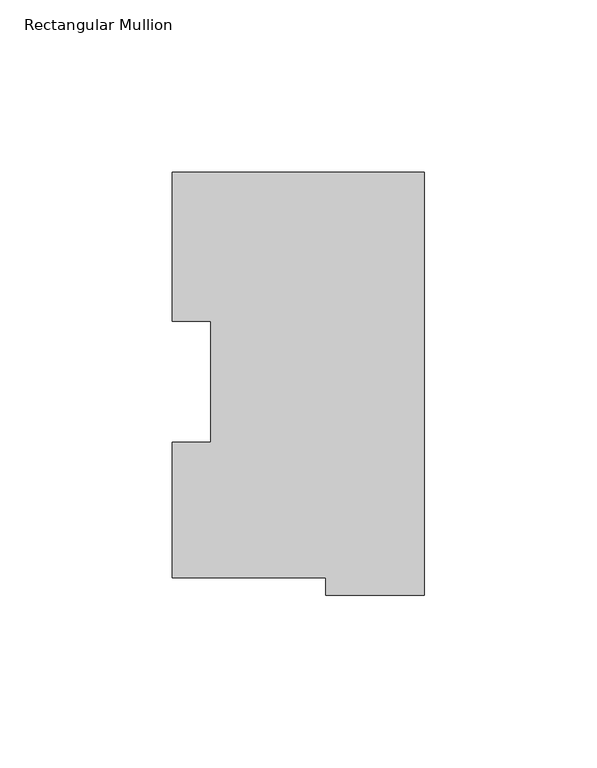
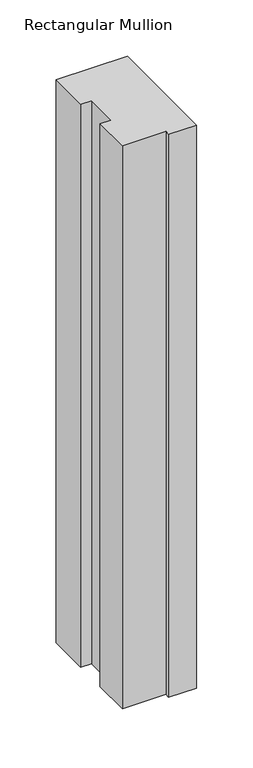
"""IFC4 building model written with IfcOpenShell, lengths in millimetres: member geometry, Rectangular Mullion."""

from ifc_helpers import new_model, si_unit, frame, origin, place, context, project, spatial, polyline, outline, extrude, source, transform, mapped, element, save


def rectangular_mullion_df7fb33b(model_context):
    return source(origin(), model_context, "Body", "SweptSolid", [
        extrude(outline(polyline([(-73.025, 117.827425), (0.0, 117.827425), (0.0, -4.778375), (-28.575, -4.778375), (-28.575, 0.225425), (-73.025, 0.225425), (-73.025, 39.646225), (-61.9252, 39.646225), (-61.9252, 74.596625), (-73.025, 74.596625), (-73.025, 117.827425)])), frame((0.0, 0.0, -609.6), z_axis=(0.0, 0.0, 1.0), x_axis=(1.0, 0.0, 0.0)), (0.0, 0.0, 1.0), 609.6),
    ])


if __name__ == "__main__":
    model = new_model("IFC4")
    model_context = context("Model", 3, world=origin())
    ifc_project = project(units=[si_unit("LENGTHUNIT", "METRE", prefix="MILLI")], contexts=[model_context])
    site = spatial("IfcSite", under=ifc_project)
    building = spatial("IfcBuilding", under=site)
    placement = place(None, origin())
    rectangular_mullion_shape = rectangular_mullion_df7fb33b(model_context)
    element("IfcMember", 1, ObjectType="Rectangular Mullion", at=placement, inside=building, context=model_context, shape_type="MappedRepresentation", body=[
        mapped(rectangular_mullion_shape, transform((0.0, 0.0, 0.0), x_axis=(1.0, 0.0, 0.0), y_axis=(0.0, 1.0, 0.0), z_axis=(0.0, 0.0, 1.0))),
    ])
    save(model, "model.ifc")
